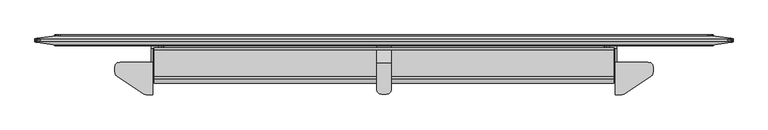
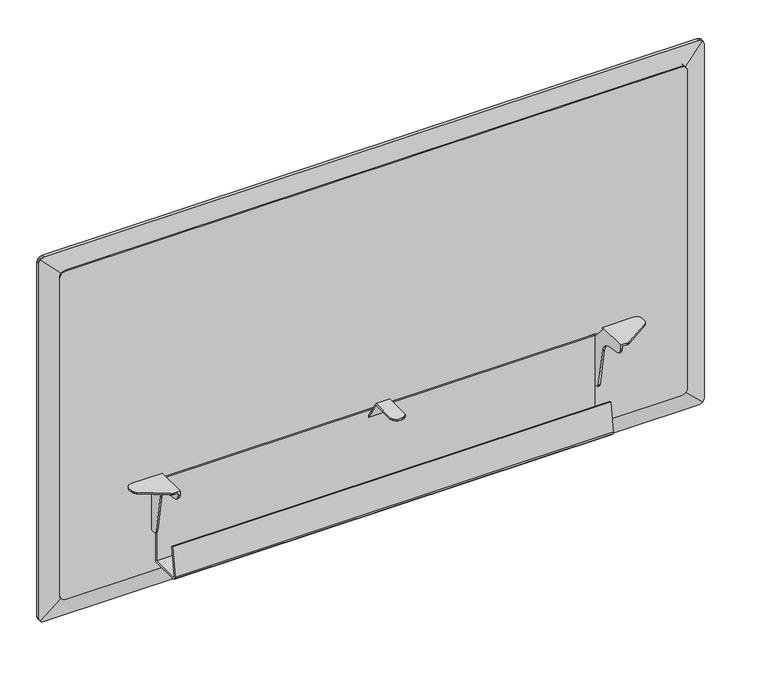
"""IFC4 building model written with IfcOpenShell, lengths in millimetres: furniture geometry."""

from ifc_helpers import new_model, si_unit, frame, origin, place, context, project, spatial, polyline, outline, extrude, faceted_brep, source, transform, mapped, element, save


def furniture_2ddf8032(model_context):
    return source(origin(), model_context, "Body", "SolidModel", [
        faceted_brep([(1069.0859978, -47.2440001, 703.2318954), (1012.3170065, -47.2440001, 703.2318954), (1012.3170065, -103.8860008, 703.2318954), (1023.4202986, -103.8860008, 703.2318954), (1025.2649535, -103.7056703, 703.2318954), (1027.0397543, -103.1715187, 703.2318954), (1028.6774996, -102.3037619, 703.2318954), (1074.3431987, -72.0782948, 703.2318954), (1076.6257901, -69.955943, 703.2318954), (1078.1010453, -67.2103598, 703.2318954), (1078.6109978, -64.1355338, 703.2318954), (1078.6109978, -56.7690004, 703.2318954), (1077.3348948, -52.0064998, 703.2318954), (1073.8484978, -48.520108, 703.2318954), (1012.3170065, -103.8860008, 695.6004571), (1015.3649945, -103.8860008, 695.6004571), (1015.3649945, -103.8860008, 700.1838983), (1023.4202986, -103.8860008, 700.1838983), (1015.3649945, -19.05, 578.009924), (1002.5380068, -19.05, 578.009924), (997.7755068, -19.05, 579.2860452), (994.2891098, -19.05, 582.772424), (993.0130068, -19.05, 587.534924), (993.0130068, -19.05, 663.7348876), (994.2891098, -19.05, 668.4973876), (997.7755068, -19.05, 671.9838027), (1002.5380068, -19.05, 673.2598876), (1015.3649945, -19.05, 673.2598876), (1015.3649945, -47.2440001, 700.1838983), (1069.0859978, -47.2440001, 700.1838983), (1073.8484978, -48.520108, 700.1838983), (1077.3348948, -52.0064998, 700.1838983), (1078.6109978, -56.7690004, 700.1838983), (1078.6109978, -64.1355338, 700.1838983), (1078.1010453, -67.2103598, 700.1838983), (1076.6257901, -69.955943, 700.1838983), (1074.3431987, -72.0782948, 700.1838983), (1028.6774996, -102.3037619, 700.1838983), (1027.0397543, -103.1715187, 700.1838983), (1025.2649535, -103.7056703, 700.1838983), (1015.3649945, -102.535134, 689.9007324), (1015.3649945, -98.769916, 685.4135063), (1015.3649945, -93.3913335, 683.0934444), (1015.3649945, -67.1971565, 678.4746856), (1015.3649945, -57.6502931, 674.6819665), (1015.3649945, -50.386431, 667.418093), (1015.3649945, -46.5937042, 657.8712194), (1015.3649945, -33.4372464, 583.2572418), (1015.3649945, -32.2771995, 580.56798), (1015.3649945, -30.0335922, 578.6853551), (1015.3649945, -27.1837173, 578.009924), (1015.3649945, -24.1299997, 673.2598876), (1015.3649945, -47.2440001, 698.1519002), (1012.3170065, -47.2440001, 698.1519002), (1012.3170065, -24.1299997, 673.2598876), (1002.5380068, -22.0979994, 673.2598876), (1012.3170065, -22.0979994, 673.2598876), (1012.3170065, -98.769916, 685.4135063), (1012.3170065, -93.3913335, 683.0934444), (1012.3170065, -102.535134, 689.9007324), (1012.3170065, -27.1837173, 578.009924), (1012.3170065, -22.0979994, 578.009924), (1002.5380068, -22.0979994, 578.009924), (1012.3170065, -30.0335922, 578.6853551), (1012.3170065, -32.2771995, 580.56798), (1012.3170065, -33.4372464, 583.2572418), (1012.3170065, -46.5937042, 657.8712194), (1012.3170065, -50.386431, 667.418093), (1012.3170065, -57.6502931, 674.6819665), (1012.3170065, -67.1971565, 678.4746856), (997.7755068, -22.0979994, 671.9838027), (994.2891098, -22.0979994, 668.4973876), (993.0130068, -22.0979994, 663.7348876), (993.0130068, -22.0979994, 587.534924), (994.2891098, -22.0979994, 582.772424), (997.7755068, -22.0979994, 579.2860452)], [[[0, 1, 2, 3, 4, 5, 6, 7, 8, 9, 10, 11, 12, 13]], [[3, 2, 14, 15, 16, 17]], [[18, 19, 20, 21, 22, 23, 24, 25, 26, 27]], [[28, 29, 30, 31, 32, 33, 34, 35, 36, 37, 38, 39, 17, 16]], [[16, 15, 40, 41, 42, 43, 44, 45, 46, 47, 48, 49, 50, 18, 27, 51, 52, 28]], [[29, 28, 52, 53, 1, 0]], [[13, 30, 29, 0]], [[12, 31, 30, 13]], [[11, 32, 31, 12]], [[10, 33, 32, 11]], [[9, 34, 33, 10]], [[8, 35, 34, 9]], [[7, 36, 35, 8]], [[6, 37, 36, 7]], [[5, 38, 37, 6]], [[4, 39, 38, 5]], [[3, 17, 39, 4]], [[51, 54, 53, 52]], [[27, 26, 55, 56, 54, 51]], [[41, 57, 58, 42]], [[40, 59, 57, 41]], [[15, 14, 59, 40]], [[50, 60, 61, 62, 19, 18]], [[49, 63, 60, 50]], [[48, 64, 63, 49]], [[47, 65, 64, 48]], [[46, 66, 65, 47]], [[45, 67, 66, 46]], [[44, 68, 67, 45]], [[43, 69, 68, 44]], [[42, 58, 69, 43]], [[61, 60, 63, 64, 65, 66, 67, 68, 69, 58, 57, 59, 14, 2, 1, 53, 54, 56]], [[56, 55, 70, 71, 72, 73, 74, 75, 62, 61]], [[70, 55, 26, 25]], [[25, 24, 71, 70]], [[24, 23, 72, 71]], [[23, 22, 73, 72]], [[22, 21, 74, 73]], [[21, 20, 75, 74]], [[20, 19, 62, 75]]]),
        faceted_brep([(606.4249879, -22.0979994, 576.2815516), (612.775, -22.0979994, 576.2815516), (617.5375, -22.0979994, 577.5576729), (618.5027027, -22.0979994, 578.5228756), (600.6972852, -22.0979994, 578.5228756), (601.6624879, -22.0979994, 577.5576729), (621.0238788, -22.0979994, 581.0440516), (621.2825067, -22.0979994, 582.0092544), (597.9174812, -22.0979994, 582.0092544), (598.1761091, -22.0979994, 581.0440516), (622.2999879, -22.0979994, 586.7717544), (596.8999879, -22.0979994, 586.7717544), (596.8999879, -22.0979994, 585.8065516), (622.2999879, -22.0979994, 585.8065064), (622.2999879, -22.0979994, 656.5709459), (596.8999879, -22.0979994, 656.5709459), (622.2999879, -49.7950483, 699.4207287), (596.8999879, -49.7950483, 699.4207287), (622.2999879, -94.4880459, 699.4207287), (621.0238788, -99.2505007, 699.4207287), (617.5375, -102.7368931, 699.4207287), (613.9416142, -103.7004075, 699.4207287), (605.2583736, -103.7004075, 699.4207287), (601.6624879, -102.7368931, 699.4207287), (598.1761091, -99.2505007, 699.4207287), (596.8999879, -94.4880007, 699.4207287), (596.8999879, -48.7171998, 702.4687258), (622.2999879, -48.7171998, 702.4687258), (622.2999879, -19.05, 656.5709459), (596.8999879, -19.05, 656.5709459), (596.8999879, -94.4880007, 702.4687258), (598.1761091, -99.2505007, 702.4687258), (601.6624879, -102.7368931, 702.4687258), (605.2583736, -103.7004075, 702.4687258), (613.9416142, -103.7004075, 702.4687258), (617.5375, -102.7368931, 702.4687258), (621.0238788, -99.2505007, 702.4687258), (622.2999879, -94.4880459, 702.4687258), (606.4249879, -19.05, 576.2815516), (612.775, -19.05, 576.2815516), (622.2999879, -19.05, 585.8065064), (621.0238788, -19.05, 581.0440516), (617.5375, -19.05, 577.5576729), (601.6624879, -19.05, 577.5576729), (598.1761091, -19.05, 581.0440516), (596.8999879, -19.05, 585.8065516)], [[[0, 1, 2, 3, 4, 5]], [[4, 3, 6, 7, 8, 9]], [[10, 11, 12, 8, 7, 13]], [[11, 10, 14, 15]], [[15, 14, 16, 17]], [[17, 16, 18, 19, 20, 21, 22, 23, 24, 25]], [[26, 27, 28, 29]], [[27, 26, 30, 31, 32, 33, 34, 35, 36, 37]], [[38, 39, 1, 0]], [[29, 28, 40, 41, 42, 39, 38, 43, 44, 45]], [[11, 15, 17, 25, 30, 26, 29, 45, 12]], [[14, 10, 13, 40, 28, 27, 37, 18, 16]], [[6, 41, 40, 13, 7]], [[41, 6, 3, 2, 42]], [[42, 2, 1, 39]], [[5, 43, 38, 0]], [[43, 5, 4, 9, 44]], [[44, 9, 8, 12, 45]], [[36, 19, 18, 37]], [[19, 36, 35, 20]], [[20, 35, 34, 21]], [[21, 34, 33, 22]], [[22, 33, 32, 23]], [[23, 32, 31, 24]], [[24, 31, 30, 25]]]),
        faceted_brep([(150.1140022, -47.2440001, 703.2318954), (145.3515022, -48.520108, 703.2318954), (141.8651052, -52.0064998, 703.2318954), (140.5890022, -56.7690004, 703.2318954), (140.5890022, -64.1355338, 703.2318954), (141.0989547, -67.2103598, 703.2318954), (142.5742099, -69.955943, 703.2318954), (144.8568013, -72.0782948, 703.2318954), (190.5225004, -102.3037619, 703.2318954), (192.1602457, -103.1715187, 703.2318954), (193.9350465, -103.7056703, 703.2318954), (195.7797014, -103.8860008, 703.2318954), (206.8829935, -103.8860008, 703.2318954), (206.8829935, -47.2440001, 703.2318954), (195.7797014, -103.8860008, 700.1838983), (203.8350055, -103.8860008, 700.1838983), (203.8350055, -103.8860008, 695.6004571), (206.8829935, -103.8860008, 695.6004571), (203.8350055, -19.05, 578.009924), (203.8350055, -19.05, 673.2598876), (216.6619932, -19.05, 673.2598876), (221.4244932, -19.05, 671.9838027), (224.9108902, -19.05, 668.4973876), (226.1869932, -19.05, 663.7348876), (226.1869932, -19.05, 587.534924), (224.9108902, -19.05, 582.772424), (221.4244932, -19.05, 579.2860452), (216.6619932, -19.05, 578.009924), (203.8350055, -47.2440001, 700.1838983), (193.9350465, -103.7056703, 700.1838983), (192.1602457, -103.1715187, 700.1838983), (190.5225004, -102.3037619, 700.1838983), (144.8568013, -72.0782948, 700.1838983), (142.5742099, -69.955943, 700.1838983), (141.0989547, -67.2103598, 700.1838983), (140.5890022, -64.1355338, 700.1838983), (140.5890022, -56.7690004, 700.1838983), (141.8651052, -52.0064998, 700.1838983), (145.3515022, -48.520108, 700.1838983), (150.1140022, -47.2440001, 700.1838983), (203.8350055, -47.2440001, 698.1519002), (203.8350055, -24.1299997, 673.2598876), (203.8350055, -27.1837173, 578.009924), (203.8350055, -30.0335922, 578.6853551), (203.8350055, -32.2771995, 580.56798), (203.8350055, -33.4372464, 583.2572418), (203.8350055, -46.5937042, 657.8712194), (203.8350055, -50.386431, 667.418093), (203.8350055, -57.6502931, 674.6819665), (203.8350055, -67.1971565, 678.4746856), (203.8350055, -93.3913335, 683.0934444), (203.8350055, -98.769916, 685.4135063), (203.8350055, -102.535134, 689.9007324), (206.8829935, -47.2440001, 698.1519002), (206.8829935, -24.1299997, 673.2598876), (206.8829935, -22.0979994, 673.2598876), (216.6619932, -22.0979994, 673.2598876), (206.8829935, -93.3913335, 683.0934444), (206.8829935, -98.769916, 685.4135063), (206.8829935, -102.535134, 689.9007324), (216.6619932, -22.0979994, 578.009924), (206.8829935, -22.0979994, 578.009924), (206.8829935, -27.1837173, 578.009924), (206.8829935, -30.0335922, 578.6853551), (206.8829935, -32.2771995, 580.56798), (206.8829935, -33.4372464, 583.2572418), (206.8829935, -46.5937042, 657.8712194), (206.8829935, -50.386431, 667.418093), (206.8829935, -57.6502931, 674.6819665), (206.8829935, -67.1971565, 678.4746856), (221.4244932, -22.0979994, 579.2860452), (224.9108902, -22.0979994, 582.772424), (226.1869932, -22.0979994, 587.534924), (226.1869932, -22.0979994, 663.7348876), (224.9108902, -22.0979994, 668.4973876), (221.4244932, -22.0979994, 671.9838027)], [[[0, 1, 2, 3, 4, 5, 6, 7, 8, 9, 10, 11, 12, 13]], [[11, 14, 15, 16, 17, 12]], [[18, 19, 20, 21, 22, 23, 24, 25, 26, 27]], [[28, 15, 14, 29, 30, 31, 32, 33, 34, 35, 36, 37, 38, 39]], [[15, 28, 40, 41, 19, 18, 42, 43, 44, 45, 46, 47, 48, 49, 50, 51, 52, 16]], [[39, 0, 13, 53, 40, 28]], [[1, 0, 39, 38]], [[2, 1, 38, 37]], [[3, 2, 37, 36]], [[4, 3, 36, 35]], [[5, 4, 35, 34]], [[6, 5, 34, 33]], [[7, 6, 33, 32]], [[8, 7, 32, 31]], [[9, 8, 31, 30]], [[10, 9, 30, 29]], [[11, 10, 29, 14]], [[41, 40, 53, 54]], [[19, 41, 54, 55, 56, 20]], [[51, 50, 57, 58]], [[52, 51, 58, 59]], [[16, 52, 59, 17]], [[42, 18, 27, 60, 61, 62]], [[43, 42, 62, 63]], [[44, 43, 63, 64]], [[45, 44, 64, 65]], [[46, 45, 65, 66]], [[47, 46, 66, 67]], [[48, 47, 67, 68]], [[49, 48, 68, 69]], [[50, 49, 69, 57]], [[61, 55, 54, 53, 13, 12, 17, 59, 58, 57, 69, 68, 67, 66, 65, 64, 63, 62]], [[55, 61, 60, 70, 71, 72, 73, 74, 75, 56]], [[75, 21, 20, 56]], [[21, 75, 74, 22]], [[22, 74, 73, 23]], [[23, 73, 72, 24]], [[24, 72, 71, 25]], [[25, 71, 70, 26]], [[26, 70, 60, 27]]]),
        extrude(outline(polyline([(-22.2259803, 516.3833061), (-77.4051408, 516.3833061), (-80.8321751, 517.3659924), (-83.1908324, 520.0793173), (-83.6878951, 523.6161021), (-76.1664074, 577.1342685), (-73.0276067, 576.6931389), (-80.5557387, 523.1276965), (-80.3126746, 521.3982054), (-79.1365997, 520.0452861), (-77.4094889, 519.5500451), (-25.3867342, 519.5500451), (-25.3867342, 675.2348745), (-22.2259803, 675.2348745), (-22.2259803, 516.3833061)])), frame((209.2706021, 0.0, 0.0), z_axis=(1.0, 0.0, 0.0), x_axis=(0.0, 1.0, 0.0)), (0.0, 0.0, 1.0), 800.6587656),
        extrude(outline(polyline([(1133.602, 1172.3178925), (1133.602, 46.8257121), (1132.9159549, 43.184392), (1131.8278673, 40.7952556), (1130.5466955, 39.2079102), (1128.6346029, 37.7230447), (1126.3089454, 36.7081476), (1123.6517493, 36.322), (508.4958553, 36.322), (505.8386592, 36.7081476), (503.5130017, 37.7230447), (501.6009091, 39.2079102), (500.3197373, 40.7952556), (499.2316497, 43.184392), (498.602, 46.5263823), (498.602, 1172.6172223), (499.2316497, 1175.9592125), (500.3197373, 1178.3483489), (501.6009091, 1179.9356944), (503.5130017, 1181.4205599), (505.8386592, 1182.435457), (508.8839288, 1182.878), (1123.2636758, 1182.878), (1126.3089454, 1182.435457), (1128.6346029, 1181.4205599), (1130.5466955, 1179.9356944), (1131.8278673, 1178.3483489), (1132.9159549, 1175.9592125), (1133.602, 1172.3178925)])), frame((0.0, -19.05, 0.0), z_axis=(0.0, 1.0, 0.0), x_axis=(0.0, 0.0, 1.0)), (0.0, 0.0, 1.0), 19.05),
        faceted_brep([(1179.6466046, -1.27, 501.8333954), (1179.6466046, -1.27, 1130.3706046), (1214.7341432, -6.201232, 1165.4581432), (1216.2749553, -6.417779, 1163.4740069), (1217.2898524, -6.5604135, 1161.1483494), (1217.676, -6.614683, 1158.4911533), (1217.676, -6.614683, 473.7128467), (1217.2898524, -6.5604135, 471.0556506), (1216.2749553, -6.417779, 468.7299931), (1214.7341432, -6.201232, 466.7458568), (1179.6466046, -17.78, 1130.3706046), (1179.6466046, -17.78, 501.8333954), (1214.7341432, -12.5994806, 466.7458568), (1216.2749553, -12.3719865, 468.7299931), (1217.2898524, -12.2221415, 471.0556506), (1217.676, -12.1651285, 473.7128467), (1217.676, -12.1651285, 1158.4911533), (1217.2898524, -12.2221415, 1161.1483494), (1216.2749553, -12.3719865, 1163.4740069), (1214.7341432, -12.5994806, 1165.4581432), (39.5533954, -1.27, 501.8333954), (1213.2027444, -6.3711638, 465.5367287), (1210.813608, -6.5240846, 464.4486411), (1207.3920479, -6.614683, 463.804), (11.8079521, -6.614683, 463.804), (8.386392, -6.5240846, 464.4486411), (5.9972556, -6.3711638, 465.5367287), (4.479154, -6.1989614, 466.7620127), (39.5533954, -17.78, 501.8333954), (4.4658568, -12.5994806, 466.7458568), (5.9972556, -12.4209582, 465.5367287), (8.386392, -12.2603069, 464.4486411), (11.8079521, -12.1651285, 463.804), (1207.3920479, -12.1651285, 463.804), (1210.813608, -12.2603069, 464.4486411), (1213.2027444, -12.4209582, 465.5367287), (39.5533954, -1.27, 1130.3706046), (2.9250447, -6.417779, 468.7299931), (1.9101476, -6.5604135, 471.0556506), (1.524, -6.614683, 473.7128467), (1.524, -6.614683, 1158.4911533), (1.9101476, -6.5604135, 1161.1483494), (2.9250447, -6.417779, 1163.4740069), (4.4658568, -6.201232, 1165.4581432), (39.5533954, -17.78, 1130.3706046), (4.4658568, -12.5994806, 1165.4581432), (2.9250447, -12.3719865, 1163.4740069), (1.9101476, -12.2221415, 1161.1483494), (1.524, -12.1651285, 1158.4911533), (1.524, -12.1651285, 473.7128467), (1.9101476, -12.2221415, 471.0556506), (2.9250447, -12.3719865, 468.7299931), (5.9972556, -6.3711638, 1166.6672713), (8.386392, -6.5240846, 1167.7553589), (11.8079521, -6.614683, 1168.4), (1207.3920479, -6.614683, 1168.4), (1210.813608, -6.5240846, 1167.7553589), (1213.2027444, -6.3711638, 1166.6672713), (1213.2027444, -12.4209582, 1166.6672713), (1210.813608, -12.2603069, 1167.7553589), (1207.3920479, -12.1651285, 1168.4), (11.8079521, -12.1651285, 1168.4), (8.386392, -12.2603069, 1167.7553589), (5.9972556, -12.4209582, 1166.6672713)], [[[0, 1, 2, 3, 4, 5, 6, 7, 8, 9]], [[10, 11, 12, 13, 14, 15, 16, 17, 18, 19]], [[20, 0, 9, 21, 22, 23, 24, 25, 26, 27]], [[11, 28, 29, 30, 31, 32, 33, 34, 35, 12]], [[36, 20, 27, 37, 38, 39, 40, 41, 42, 43]], [[28, 44, 45, 46, 47, 48, 49, 50, 51, 29]], [[1, 36, 43, 52, 53, 54, 55, 56, 57, 2]], [[44, 10, 19, 58, 59, 60, 61, 62, 63, 45]], [[1, 0, 11, 10]], [[0, 20, 28, 11]], [[20, 36, 44, 28]], [[36, 1, 10, 44]], [[5, 16, 15, 6]], [[23, 33, 32, 24]], [[48, 40, 39, 49]], [[54, 61, 60, 55]], [[41, 47, 46, 42]], [[45, 43, 42, 46]], [[43, 45, 63, 52]], [[52, 63, 62, 53]], [[53, 62, 61, 54]], [[47, 41, 40, 48]], [[3, 18, 17, 4]], [[2, 19, 18, 3]], [[19, 2, 57, 58]], [[58, 57, 56, 59]], [[59, 56, 55, 60]], [[4, 17, 16, 5]], [[7, 14, 13, 8]], [[12, 9, 8, 13]], [[9, 12, 35, 21]], [[21, 35, 34, 22]], [[22, 34, 33, 23]], [[14, 7, 6, 15]], [[37, 51, 50, 38]], [[27, 29, 51, 37]], [[29, 27, 26, 30]], [[30, 26, 25, 31]], [[31, 25, 24, 32]], [[38, 50, 49, 39]]]),
    ])


if __name__ == "__main__":
    model = new_model("IFC4")
    model_context = context("Model", 3, world=origin())
    ifc_project = project(units=[si_unit("LENGTHUNIT", "METRE", prefix="MILLI")], contexts=[model_context])
    site = spatial("IfcSite", under=ifc_project)
    building = spatial("IfcBuilding", under=site)
    placement = place(None, origin())
    furniture_shape = furniture_2ddf8032(model_context)
    element("IfcFurniture", 1, at=placement, inside=building, context=model_context, shape_type="MappedRepresentation", body=[
        mapped(furniture_shape, transform((0.0, 0.0, 0.0), x_axis=(1.0, 0.0, 0.0), y_axis=(0.0, 1.0, 0.0), z_axis=(0.0, 0.0, 1.0))),
    ])
    save(model, "model.ifc")
